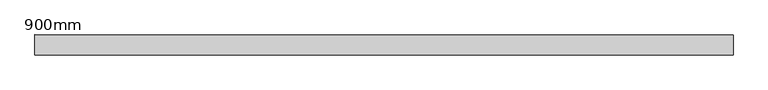
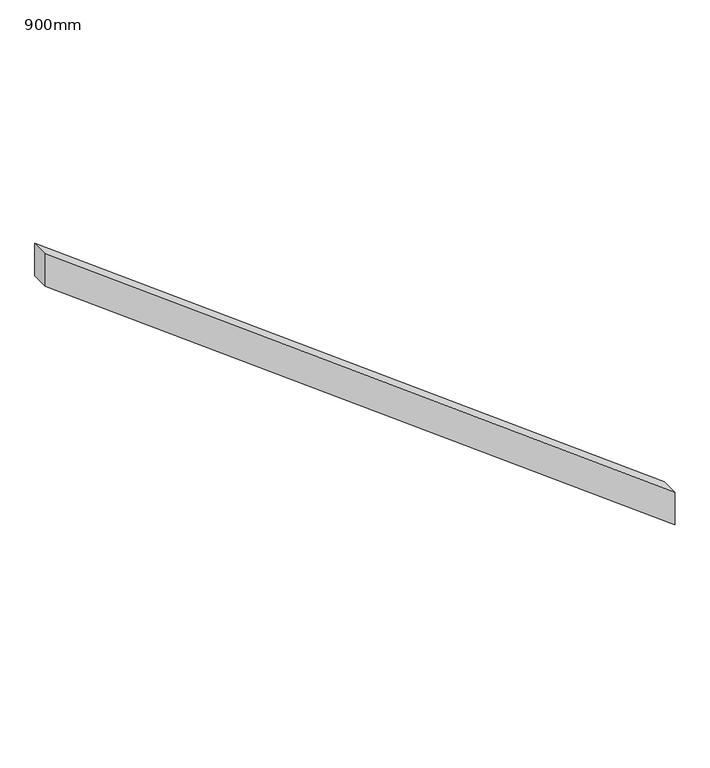
"""IFC4 building model written with IfcOpenShell, lengths in millimetres: railing geometry, 900mm."""

from ifc_helpers import new_model, si_unit, frame, origin, place, context, project, spatial, polyline, outline, extrude, source, transform, mapped, element, save


def railing_900mm_bfac74ed(model_context):
    return source(origin(), model_context, "Body", "SweptSolid", [
        extrude(outline(polyline([(5817.25, 150917.076161), (5912.5, 150917.076161), (7225.0, 149167.076161), (7129.75, 149167.076161), (5817.25, 150917.076161)])), frame((0.0, 50880.0558522, 0.0), z_axis=(0.0, 1.0, 0.0), x_axis=(0.0, 0.0, 1.0)), (0.0, 0.0, 1.0), 50.8),
    ])


if __name__ == "__main__":
    model = new_model("IFC4")
    model_context = context("Model", 3, world=origin())
    ifc_project = project(units=[si_unit("LENGTHUNIT", "METRE", prefix="MILLI")], contexts=[model_context])
    site = spatial("IfcSite", under=ifc_project)
    building = spatial("IfcBuilding", under=site)
    placement = place(None, origin())
    railing_900mm_shape = railing_900mm_bfac74ed(model_context)
    element("IfcRailing", 1, ObjectType="900mm", at=placement, inside=building, context=model_context, shape_type="MappedRepresentation", body=[
        mapped(railing_900mm_shape, transform((0.0, 0.0, 0.0), x_axis=(1.0, 0.0, 0.0), y_axis=(0.0, 1.0, 0.0), z_axis=(0.0, 0.0, 1.0))),
    ])
    save(model, "model.ifc")
